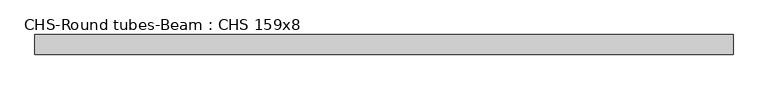
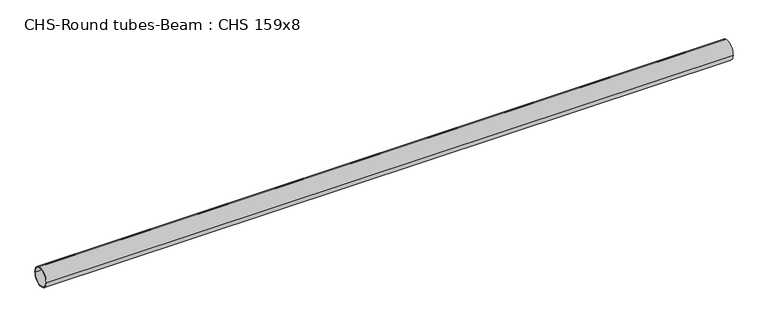
"""IFC4 building model written with IfcOpenShell, lengths in millimetres: beam geometry, CHS-Round tubes-Beam : CHS 159x8."""

from ifc_helpers import new_model, si_unit, point, frame, origin, origin_2d, place, context, project, spatial, circle_curve, trimmed, segment, composite_curve, outline, extrude, source, transform, mapped, element, save


def chs_round_tubes_beam_chs_159x8_b93415aa(model_context):
    return source(origin(), model_context, "Body", "SweptSolid", [
        extrude(outline(composite_curve([segment(trimmed(circle_curve(origin_2d(), 79.5), [point((79.5, 0.0))], [point((-79.5, 0.0))], False, "CARTESIAN"), True, "CONTINUOUS"), segment(trimmed(circle_curve(origin_2d(), 79.5), [point((-79.5, 0.0))], [point((79.5, 0.0))], False, "CARTESIAN"), True, "CONTINUOUS")], self_intersect=False), holes=[composite_curve([segment(trimmed(circle_curve(origin_2d(), 71.5), [point((71.5, 0.0))], [point((-71.5, 0.0))], True, "CARTESIAN"), True, "CONTINUOUS"), segment(trimmed(circle_curve(origin_2d(), 71.5), [point((-71.5, 0.0))], [point((71.5, 0.0))], True, "CARTESIAN"), True, "CONTINUOUS")], self_intersect=False)]), frame((-2829.0310977, 0.0, 0.0), z_axis=(1.0, 0.0, 0.0), x_axis=(0.0, 1.0, 0.0)), (0.0, 0.0, 1.0), 5652.1825409),
    ])


if __name__ == "__main__":
    model = new_model("IFC4")
    model_context = context("Model", 3, world=origin())
    ifc_project = project(units=[si_unit("LENGTHUNIT", "METRE", prefix="MILLI")], contexts=[model_context])
    site = spatial("IfcSite", under=ifc_project)
    building = spatial("IfcBuilding", under=site)
    placement = place(None, origin())
    chs_round_tubes_beam_chs_159x8_shape = chs_round_tubes_beam_chs_159x8_b93415aa(model_context)
    element("IfcBeam", 1, ObjectType="CHS-Round tubes-Beam : CHS 159x8", at=placement, inside=building, context=model_context, shape_type="MappedRepresentation", body=[
        mapped(chs_round_tubes_beam_chs_159x8_shape, transform((0.0, 0.0, 0.0), x_axis=(1.0, 0.0, 0.0), y_axis=(0.0, 1.0, 0.0), z_axis=(0.0, 0.0, 1.0))),
    ])
    save(model, "model.ifc")
